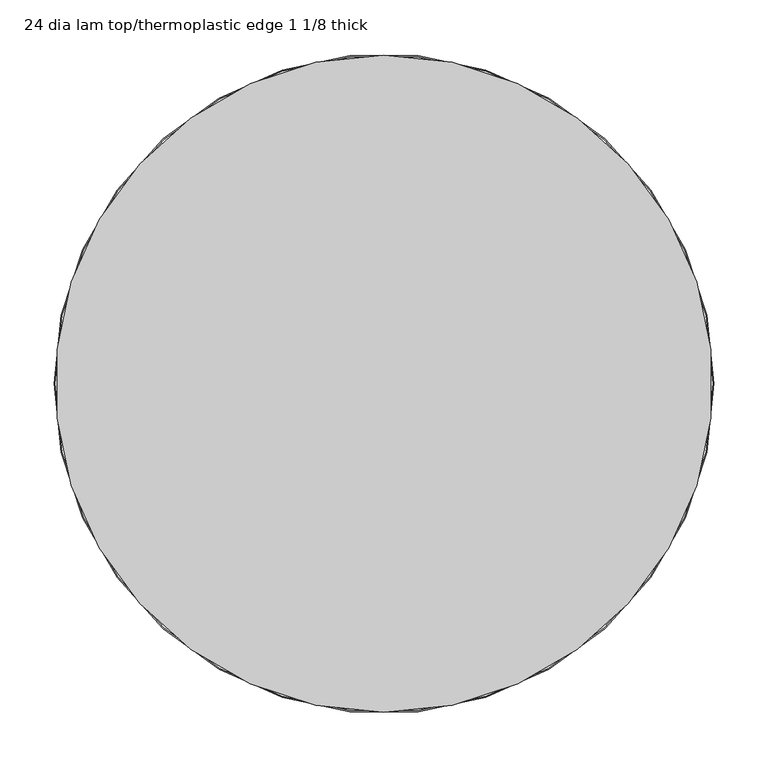
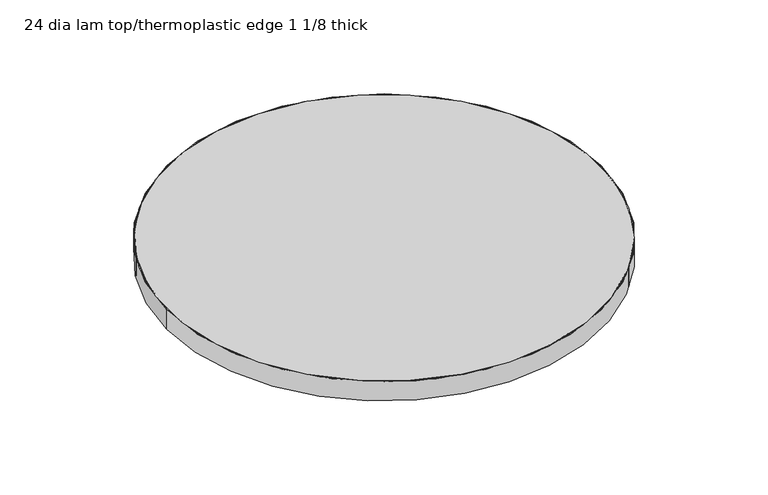
"""IFC4 building model written with IfcOpenShell, lengths in millimetres: furniture geometry, 24 dia lam top/thermoplastic edge 1 1/8 thick."""

from ifc_helpers import new_model, si_unit, point, frame, origin, origin_2d, place, context, project, spatial, circle_curve, trimmed, segment, composite_curve, outline, extrude, source, transform, mapped, element, save


def furniture_24_dia_lam_top_thermoplastic_edge_1_1_8_thick_58d57eb4(model_context):
    return source(origin(), model_context, "Body", "SweptSolid", [
        extrude(outline(composite_curve([segment(trimmed(circle_curve(origin_2d(), 303.7179113), [point((0.0, 303.7179113))], [point((0.0, -303.7179113))], False, "CARTESIAN"), True, "CONTINUOUS"), segment(trimmed(circle_curve(origin_2d(), 303.7179113), [point((0.0, -303.7179113))], [point((0.0, 303.7179113))], False, "CARTESIAN"), True, "CONTINUOUS")], self_intersect=False)), frame((0.0, 0.0, 696.9759893), z_axis=(0.0, 0.0, 1.0), x_axis=(1.0, 0.0, 0.0)), (0.0, 0.0, 1.0), 28.702),
        extrude(outline(composite_curve([segment(trimmed(circle_curve(origin_2d(), 304.8), [point((-304.8, 0.0))], [point((304.8, 0.0))], False, "CARTESIAN"), True, "CONTINUOUS"), segment(trimmed(circle_curve(origin_2d(), 304.8), [point((304.8, 0.0))], [point((-304.8, 0.0))], False, "CARTESIAN"), True, "CONTINUOUS")], self_intersect=False), holes=[composite_curve([segment(trimmed(circle_curve(origin_2d(), 303.7179113), [point((303.7179113, 0.0))], [point((-303.7179113, 0.0))], True, "CARTESIAN"), True, "CONTINUOUS"), segment(trimmed(circle_curve(origin_2d(), 303.7179113), [point((-303.7179113, 0.0))], [point((303.7179113, 0.0))], True, "CARTESIAN"), True, "CONTINUOUS")], self_intersect=False)]), frame((0.0, 0.0, 696.9759893), z_axis=(0.0, 0.0, 1.0), x_axis=(1.0, 0.0, 0.0)), (0.0, 0.0, 1.0), 28.702),
    ])


if __name__ == "__main__":
    model = new_model("IFC4")
    model_context = context("Model", 3, world=origin())
    ifc_project = project(units=[si_unit("LENGTHUNIT", "METRE", prefix="MILLI")], contexts=[model_context])
    site = spatial("IfcSite", under=ifc_project)
    building = spatial("IfcBuilding", under=site)
    placement = place(None, origin())
    furniture_24_dia_lam_top_thermoplastic_edge_1_1_8_thick_shape = furniture_24_dia_lam_top_thermoplastic_edge_1_1_8_thick_58d57eb4(model_context)
    element("IfcFurniture", 1, ObjectType="24 dia lam top/thermoplastic edge 1 1/8 thick", at=placement, inside=building, context=model_context, shape_type="MappedRepresentation", body=[
        mapped(furniture_24_dia_lam_top_thermoplastic_edge_1_1_8_thick_shape, transform((0.0, 0.0, 0.0), x_axis=(1.0, 0.0, 0.0), y_axis=(0.0, 1.0, 0.0), z_axis=(0.0, 0.0, 1.0))),
    ])
    save(model, "model.ifc")
